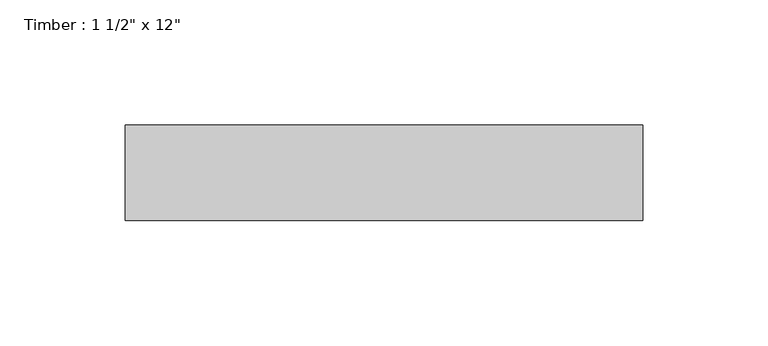
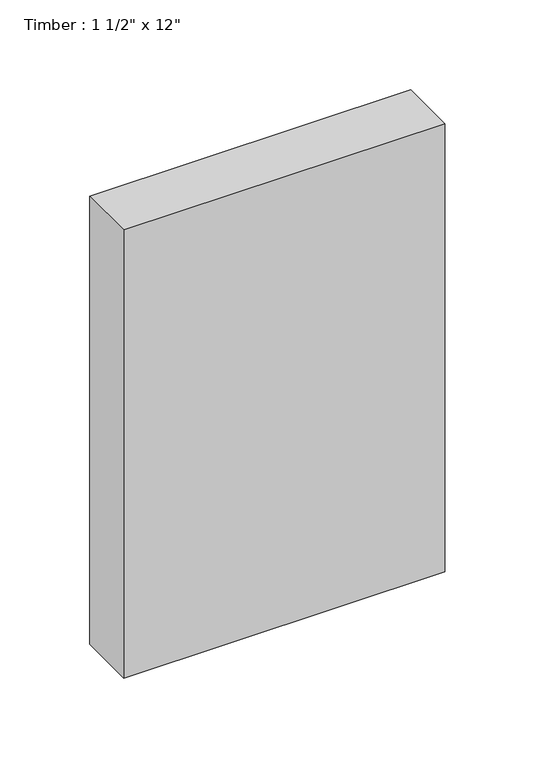
"""IFC4 building model written with IfcOpenShell, lengths in millimetres: beam geometry."""

from ifc_helpers import new_model, si_unit, frame, origin, place, context, project, spatial, polyline, outline, extrude, source, transform, mapped, element, save


def beam_f7e72bd7(model_context):
    return source(origin(), model_context, "Body", "SweptSolid", [
        extrude(outline(polyline([(103.1875, 19.05), (103.1875, -19.05), (-103.1875, -19.05), (-103.1875, 19.05), (103.1875, 19.05)])), frame((0.0, 0.0, -152.4), z_axis=(0.0, 0.0, 1.0), x_axis=(1.0, 0.0, 0.0)), (0.0, 0.0, 1.0), 304.8),
    ])


if __name__ == "__main__":
    model = new_model("IFC4")
    model_context = context("Model", 3, world=origin())
    ifc_project = project(units=[si_unit("LENGTHUNIT", "METRE", prefix="MILLI")], contexts=[model_context])
    site = spatial("IfcSite", under=ifc_project)
    building = spatial("IfcBuilding", under=site)
    placement = place(None, origin())
    beam_shape = beam_f7e72bd7(model_context)
    element("IfcBeam", 1, ObjectType="Timber : 1 1/2\" x 12\"", at=placement, inside=building, context=model_context, shape_type="MappedRepresentation", body=[
        mapped(beam_shape, transform((0.0, 0.0, 0.0), x_axis=(1.0, 0.0, 0.0), y_axis=(0.0, 1.0, 0.0), z_axis=(0.0, 0.0, 1.0))),
    ])
    save(model, "model.ifc")
